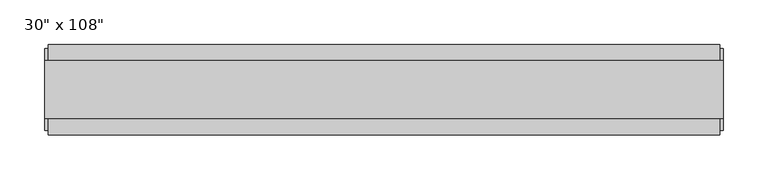
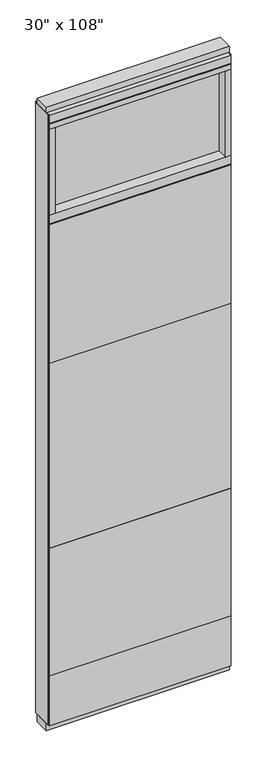
"""IFC4 building model written with IfcOpenShell, lengths in millimetres: furniture geometry."""

import ifcopenshell
import ifcopenshell.guid

model = None  # the IFC model being written
_history = None  # IfcOwnerHistory: only IFC2X3 demands one
_inside = {}  # id of a spatial element -> (the spatial element, [elements in it])
_under = {}  # id of a project, library or spatial element -> (it, [spatial elements below it])
_declared = {}  # id of a project -> (the project, [libraries it declares])
_typed = {}  # id of a type object -> (the type object, [elements of that type])
_made_of = {}  # id of a material, layer set ... -> (it, [elements and type objects made of it])


def new_model(schema):
    """Start an empty IFC model of exactly this schema.

    Asked for "IFC4X3", IfcOpenShell would pick the latest addendum, in which some entities
    have other attributes; the version numbers below select the first issue.
    IFC2X3 requires an IfcOwnerHistory on every rooted entity: one is made here for all.
    """
    global model, _history
    if schema == "IFC4X3":
        model = ifcopenshell.file(schema_version=(4, 3, 0, 0))
    else:
        model = ifcopenshell.file(schema=schema)
    _inside.clear()
    _under.clear()
    _declared.clear()
    _typed.clear()
    _made_of.clear()
    _history = None
    if model.schema == "IFC2X3":
        org = make("IfcOrganization", Name="unknown")
        user = make(
            "IfcPersonAndOrganization",
            ThePerson=make("IfcPerson", FamilyName="unknown"),
            TheOrganization=org,
        )
        app = make(
            "IfcApplication",
            ApplicationDeveloper=org,
            Version="unknown",
            ApplicationFullName="unknown",
            ApplicationIdentifier="unknown",
        )
        _history = make(
            "IfcOwnerHistory",
            OwningUser=user,
            OwningApplication=app,
            ChangeAction="ADDED",
            CreationDate=0,
        )
    return model


def make(cls, **values):
    """One entity of the class cls with the attributes given. An attribute that is None is left unset."""
    return model.create_entity(
        cls, **{name: value for name, value in values.items() if value is not None}
    )


def rooted(cls, **values):
    """An entity with a GlobalId (a new one), such as an element, a storey or a relation."""
    return make(cls, GlobalId=ifcopenshell.guid.new(), OwnerHistory=_history, **values)


def si_unit(unit_type, name, prefix=None):
    """IfcSIUnit, for example si_unit("LENGTHUNIT", "METRE", prefix="MILLI")."""
    return make("IfcSIUnit", UnitType=unit_type, Prefix=prefix, Name=name)


def assignment(units):
    """IfcUnitAssignment: the units of a project."""
    return None if units is None else make("IfcUnitAssignment", Units=units)


def point(xyz):
    """IfcCartesianPoint."""
    return None if xyz is None else make("IfcCartesianPoint", Coordinates=xyz)


def direction(xyz):
    """IfcDirection."""
    return None if xyz is None else make("IfcDirection", DirectionRatios=xyz)


def frame(location, z_axis=None, x_axis=None):
    """IfcAxis2Placement3D, a coordinate frame: its origin and axes. An axis left out is left unset."""
    return make(
        "IfcAxis2Placement3D",
        Location=point(location),
        Axis=direction(z_axis),
        RefDirection=direction(x_axis),
    )


def origin():
    """The frame at (0, 0, 0) with its axes left unset."""
    return frame((0.0, 0.0, 0.0))


def origin_with_axes():
    """The frame at (0, 0, 0) with the z axis (0, 0, 1) and the x axis (1, 0, 0) written out."""
    return frame((0.0, 0.0, 0.0), z_axis=(0.0, 0.0, 1.0), x_axis=(1.0, 0.0, 0.0))


def place(relative_to, where):
    """IfcLocalPlacement: puts the frame where relative to a parent placement (None: the world)."""
    return make(
        "IfcLocalPlacement", PlacementRelTo=relative_to, RelativePlacement=where
    )


def context(
    kind, dimensions, precision=None, world=None, true_north=None, identifier=None
):
    """IfcGeometricRepresentationContext, for example the 3D "Model" context."""
    return make(
        "IfcGeometricRepresentationContext",
        ContextIdentifier=identifier,
        ContextType=kind,
        CoordinateSpaceDimension=dimensions,
        Precision=precision,
        WorldCoordinateSystem=world,
        TrueNorth=true_north,
    )


def project(units=None, contexts=None):
    """IfcProject with its units and contexts."""
    return rooted(
        "IfcProject",
        Name="project",
        RepresentationContexts=contexts,
        UnitsInContext=assignment(units),
    )


def spatial(cls, under=None, at=None, **own):
    """A site, building, storey or space (cls), placed at a placement, below another one or the project."""
    s = rooted(cls, ObjectPlacement=at, **own)
    if under is not None:
        _under.setdefault(under.id(), (under, []))[1].append(s)
    return s


def polyline(points):
    """IfcPolyline through the points."""
    return make("IfcPolyline", Points=[point(p) for p in points])


def outline(outer, holes=None, kind="AREA"):
    """IfcArbitraryClosedProfileDef: a profile drawn as a closed curve; with holes, ...WithVoids."""
    if holes is None:
        return make("IfcArbitraryClosedProfileDef", ProfileType=kind, OuterCurve=outer)
    return make(
        "IfcArbitraryProfileDefWithVoids",
        ProfileType=kind,
        OuterCurve=outer,
        InnerCurves=holes,
    )


def extrude(swept, where, along, depth):
    """IfcExtrudedAreaSolid: the profile swept, set in the frame where, extruded along a direction by depth."""
    return make(
        "IfcExtrudedAreaSolid",
        SweptArea=swept,
        Position=where,
        ExtrudedDirection=direction(along),
        Depth=depth,
    )


def shape(context_of_items, identifier, shape_type, items):
    """IfcShapeRepresentation: the items that make up one representation, for example the "Body"."""
    return make(
        "IfcShapeRepresentation",
        ContextOfItems=context_of_items,
        RepresentationIdentifier=identifier,
        RepresentationType=shape_type,
        Items=items,
    )


def source(mapping_origin, context_of_items, identifier, shape_type, items):
    """IfcRepresentationMap: a shape defined once, which mapped items show again and again."""
    return make(
        "IfcRepresentationMap",
        MappingOrigin=mapping_origin,
        MappedRepresentation=shape(context_of_items, identifier, shape_type, items),
    )


def transform(
    local_origin,
    x_axis=None,
    y_axis=None,
    z_axis=None,
    scale=None,
    scale2=None,
    scale3=None,
    uniform=True,
):
    """IfcCartesianTransformationOperator3D, or its non-uniform kind. x_axis, y_axis, z_axis: its Axis1, 2, 3."""
    if uniform:
        return make(
            "IfcCartesianTransformationOperator3D",
            Axis1=direction(x_axis),
            Axis2=direction(y_axis),
            LocalOrigin=point(local_origin),
            Scale=scale,
            Axis3=direction(z_axis),
        )
    return make(
        "IfcCartesianTransformationOperator3DnonUniform",
        Axis1=direction(x_axis),
        Axis2=direction(y_axis),
        LocalOrigin=point(local_origin),
        Scale=scale,
        Axis3=direction(z_axis),
        Scale2=scale2,
        Scale3=scale3,
    )


def mapped(mapping_source, mapping_target):
    """IfcMappedItem: shows the shape of a source again, moved by a transform."""
    return make(
        "IfcMappedItem", MappingSource=mapping_source, MappingTarget=mapping_target
    )


def made_of(thing, what):
    """Note that an element or type object is made of a material, layer set ...; save() writes the relation."""
    if what is not None:
        _made_of.setdefault(what.id(), (what, []))[1].append(thing)
    return thing


def element(
    cls,
    number,
    at=None,
    inside=None,
    cuts=None,
    type_object=None,
    material=None,
    context=None,
    identifier="Body",
    shape_type=None,
    held_by="IfcProductDefinitionShape",
    body=None,
    shapes=None,
    **own,
):
    """One element of the class cls, such as IfcWall. Its Tag is "e" and its number.

    at: its placement. inside: the storey or other place that contains it. cuts: it is an
    opening in that element (IfcRelVoidsElement). A single representation is given by context,
    identifier, shape_type and body (its items); several are given by shapes. held_by: the class
    of the entity that holds the representations. save() writes the other relations.
    """
    e = rooted(cls, Tag="e%d" % number, ObjectPlacement=at, **own)
    if body is not None:
        shapes = [shape(context, identifier, shape_type, body)]
    if shapes is not None:
        e.Representation = make(held_by, Representations=shapes)
    if inside is not None:
        _inside.setdefault(inside.id(), (inside, []))[1].append(e)
    if cuts is not None:
        rooted(
            "IfcRelVoidsElement", RelatingBuildingElement=cuts, RelatedOpeningElement=e
        )
    if type_object is not None:
        _typed.setdefault(type_object.id(), (type_object, []))[1].append(e)
    return made_of(e, material)


def aggregate(whole, parts):
    """IfcRelAggregates: a whole, such as a stair, and the parts it consists of."""
    return rooted("IfcRelAggregates", RelatingObject=whole, RelatedObjects=parts)


def save(model, path):
    """Write the relations noted so far, then the file.

    IfcRelAggregates (storeys below a building ...), IfcRelContainedInSpatialStructure (elements
    in a storey), IfcRelDefinesByType, IfcRelAssociatesMaterial and IfcRelDeclares: one each for
    every whole, place, type object, material and project.
    """
    for whole, parts in _under.values():
        aggregate(whole, parts)
    for where, things in _inside.values():
        rooted(
            "IfcRelContainedInSpatialStructure",
            RelatedElements=things,
            RelatingStructure=where,
        )
    for kind, things in _typed.values():
        rooted("IfcRelDefinesByType", RelatedObjects=things, RelatingType=kind)
    for what, things in _made_of.values():
        rooted("IfcRelAssociatesMaterial", RelatedObjects=things, RelatingMaterial=what)
    for by, libraries in _declared.values():
        rooted("IfcRelDeclares", RelatingContext=by, RelatedDefinitions=libraries)
    model.write(path)


def furniture_207e7862(model_context):
    return source(origin(), model_context, "Body", "SweptSolid", [
        extrude(outline(polyline([(317.0264771, 46.2822784), (317.0264771, 33.5822784), (-437.0995229, 33.5822784), (-437.0995229, 46.2822784), (317.0264771, 46.2822784)])), frame((0.0, 0.0, 1625.6), z_axis=(0.0, 0.0, 1.0), x_axis=(1.0, 0.0, 0.0)), (0.0, 0.0, 1.0), 609.6),
        extrude(outline(polyline([(317.0264771, 46.2822784), (317.0264771, 33.5822784), (-437.0995229, 33.5822784), (-437.0995229, 46.2822784), (317.0264771, 46.2822784)])), frame((0.0, 0.0, 812.8), z_axis=(0.0, 0.0, 1.0), x_axis=(1.0, 0.0, 0.0)), (0.0, 0.0, 1.0), 812.8),
        extrude(outline(polyline([(317.0264771, 46.2822784), (317.0264771, 33.5822784), (-437.0995229, 33.5822784), (-437.0995229, 46.2822784), (317.0264771, 46.2822784)])), frame((0.0, 0.0, 249.936), z_axis=(0.0, 0.0, 1.0), x_axis=(1.0, 0.0, 0.0)), (0.0, 0.0, 1.0), 562.864),
        extrude(outline(polyline([(317.0264771, -55.3177216), (-437.0995229, -55.3177216), (-437.0995229, -42.6177216), (317.0264771, -42.6177216), (317.0264771, -55.3177216)])), frame((0.0, 0.0, 1625.6), z_axis=(0.0, 0.0, 1.0), x_axis=(1.0, 0.0, 0.0)), (0.0, 0.0, 1.0), 609.6),
        extrude(outline(polyline([(317.0264771, -55.3177216), (-437.0995229, -55.3177216), (-437.0995229, -42.6177216), (317.0264771, -42.6177216), (317.0264771, -55.3177216)])), frame((0.0, 0.0, 812.8), z_axis=(0.0, 0.0, 1.0), x_axis=(1.0, 0.0, 0.0)), (0.0, 0.0, 1.0), 812.8),
        extrude(outline(polyline([(317.0264771, -55.3177216), (-437.0995229, -55.3177216), (-437.0995229, -42.6177216), (317.0264771, -42.6177216), (317.0264771, -55.3177216)])), frame((0.0, 0.0, 249.936), z_axis=(0.0, 0.0, 1.0), x_axis=(1.0, 0.0, 0.0)), (0.0, 0.0, 1.0), 562.864),
        extrude(outline(polyline([(317.0264771, 46.2822784), (317.0264771, 33.5822784), (-437.0995229, 33.5822784), (-437.0995229, 46.2822784), (317.0264771, 46.2822784)])), frame((0.0, 0.0, 31.75), z_axis=(0.0, 0.0, 1.0), x_axis=(1.0, 0.0, 0.0)), (0.0, 0.0, 1.0), 218.186),
        extrude(outline(polyline([(317.0264771, -55.3177216), (-437.0995229, -55.3177216), (-437.0995229, -42.6177216), (317.0264771, -42.6177216), (317.0264771, -55.3177216)])), frame((0.0, 0.0, 31.75), z_axis=(0.0, 0.0, 1.0), x_axis=(1.0, 0.0, 0.0)), (0.0, 0.0, 1.0), 218.186),
        extrude(outline(polyline([(294.8014771, -9.5977216), (-414.8745229, -9.5977216), (-414.8745229, 0.5622784), (294.8014771, 0.5622784), (294.8014771, -9.5977216)])), frame((0.0, 0.0, 2276.475), z_axis=(0.0, 0.0, 1.0), x_axis=(1.0, 0.0, 0.0)), (0.0, 0.0, 1.0), 377.825),
        extrude(outline(polyline([(294.8014771, -55.3177216), (294.8014771, 46.2822784), (317.0264771, 46.2822784), (317.0264771, -55.3177216), (294.8014771, -55.3177216)])), frame((0.0, 0.0, 2276.475), z_axis=(0.0, 0.0, 1.0), x_axis=(1.0, 0.0, 0.0)), (0.0, 0.0, 1.0), 377.825),
        extrude(outline(polyline([(-55.3177216, 2240.153), (-55.3177216, 2276.475), (46.2822784, 2276.475), (46.2822784, 2240.153), (41.3292784, 2240.153), (41.3292784, 2235.2), (-50.3647216, 2235.2), (-50.3647216, 2240.153), (-55.3177216, 2240.153)])), frame((-437.0995229, 0.0, 0.0), z_axis=(1.0, 0.0, 0.0), x_axis=(0.0, 1.0, 0.0)), (0.0, 0.0, 1.0), 754.126),
        extrude(outline(polyline([(-414.8745229, -55.3177216), (-437.0995229, -55.3177216), (-437.0995229, 46.2822784), (-414.8745229, 46.2822784), (-414.8745229, -55.3177216)])), frame((0.0, 0.0, 2276.475), z_axis=(0.0, 0.0, 1.0), x_axis=(1.0, 0.0, 0.0)), (0.0, 0.0, 1.0), 377.825),
        extrude(outline(polyline([(320.9634771, 27.9942784), (320.9634771, -37.0297216), (-441.0365229, -37.0297216), (-441.0365229, 27.9942784), (320.9634771, 27.9942784)])), origin_with_axes(), (0.0, 0.0, 1.0), 31.75),
        extrude(outline(polyline([(-441.0365229, -37.0297216), (-441.0365229, 27.9942784), (320.9634771, 27.9942784), (320.9634771, -37.0297216), (-441.0365229, -37.0297216)])), frame((0.0, 0.0, 2717.8), z_axis=(0.0, 0.0, 1.0), x_axis=(1.0, 0.0, 0.0)), (0.0, 0.0, 1.0), 25.4),
        extrude(outline(polyline([(-55.3177216, 2681.478), (-55.3177216, 2717.8), (46.2822784, 2717.8), (46.2822784, 2681.478), (41.3292784, 2681.478), (41.3292784, 2676.525), (-50.3647216, 2676.525), (-50.3647216, 2681.478), (-55.3177216, 2681.478)])), frame((-437.0995229, 0.0, 0.0), z_axis=(1.0, 0.0, 0.0), x_axis=(0.0, 1.0, 0.0)), (0.0, 0.0, 1.0), 754.126),
        extrude(outline(polyline([(317.0264771, 46.2822784), (317.0264771, -55.3177216), (-437.0995229, -55.3177216), (-437.0995229, 46.2822784), (317.0264771, 46.2822784)])), frame((0.0, 0.0, 2654.3), z_axis=(0.0, 0.0, 1.0), x_axis=(1.0, 0.0, 0.0)), (0.0, 0.0, 1.0), 22.225),
        extrude(outline(polyline([(320.9634771, -50.3647216), (317.0264771, -50.3647216), (317.0264771, 41.3292784), (320.9634771, 41.3292784), (320.9634771, -50.3647216)])), frame((0.0, 0.0, 31.75), z_axis=(0.0, 0.0, 1.0), x_axis=(1.0, 0.0, 0.0)), (0.0, 0.0, 1.0), 2686.05),
        extrude(outline(polyline([(-441.0365229, -50.3647216), (-441.0365229, 41.3292784), (-437.0995229, 41.3292784), (-437.0995229, -50.3647216), (-441.0365229, -50.3647216)])), frame((0.0, 0.0, 31.75), z_axis=(0.0, 0.0, 1.0), x_axis=(1.0, 0.0, 0.0)), (0.0, 0.0, 1.0), 2686.05),
    ])


if __name__ == "__main__":
    model = new_model("IFC4")
    model_context = context("Model", 3, world=origin())
    ifc_project = project(units=[si_unit("LENGTHUNIT", "METRE", prefix="MILLI")], contexts=[model_context])
    site = spatial("IfcSite", under=ifc_project)
    building = spatial("IfcBuilding", under=site)
    placement = place(None, origin())
    furniture_shape = furniture_207e7862(model_context)
    element("IfcFurniture", 1, ObjectType="30\" x 108\"", at=placement, inside=building, context=model_context, shape_type="MappedRepresentation", body=[
        mapped(furniture_shape, transform((0.0, 0.0, 0.0), x_axis=(1.0, 0.0, 0.0), y_axis=(0.0, 1.0, 0.0), z_axis=(0.0, 0.0, 1.0))),
    ])
    save(model, "model.ifc")
